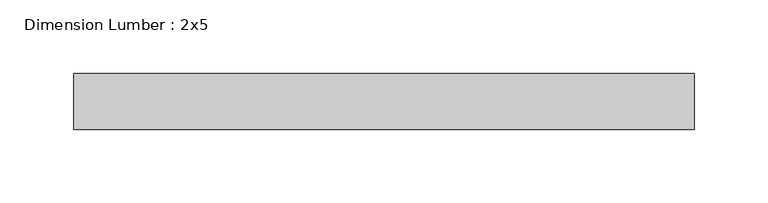
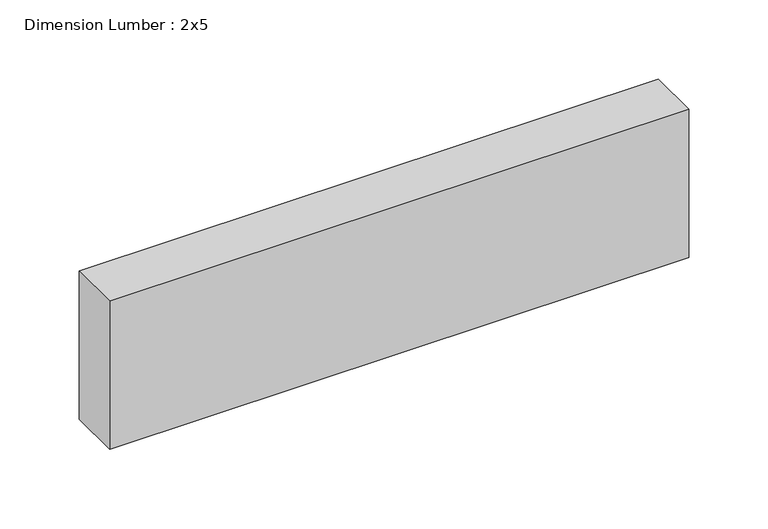
"""IFC4 building model written with IfcOpenShell, lengths in millimetres: beam geometry, Dimension Lumber : 2x5."""

from ifc_helpers import new_model, si_unit, frame, origin, place, context, project, spatial, polyline, outline, extrude, source, transform, mapped, element, save


def dimension_lumber_2x5_fb29cb15(model_context):
    return source(origin(), model_context, "Body", "SweptSolid", [
        extrude(outline(polyline([(212.9680614, 19.05), (212.9680614, -19.05), (-208.3204697, -19.05), (-208.3204697, 19.05), (212.9680614, 19.05)])), frame((0.0, 0.0, -57.15), z_axis=(0.0, 0.0, 1.0), x_axis=(1.0, 0.0, 0.0)), (0.0, 0.0, 1.0), 114.3),
    ])


if __name__ == "__main__":
    model = new_model("IFC4")
    model_context = context("Model", 3, world=origin())
    ifc_project = project(units=[si_unit("LENGTHUNIT", "METRE", prefix="MILLI")], contexts=[model_context])
    site = spatial("IfcSite", under=ifc_project)
    building = spatial("IfcBuilding", under=site)
    placement = place(None, origin())
    dimension_lumber_2x5_shape = dimension_lumber_2x5_fb29cb15(model_context)
    element("IfcBeam", 1, ObjectType="Dimension Lumber : 2x5", at=placement, inside=building, context=model_context, shape_type="MappedRepresentation", body=[
        mapped(dimension_lumber_2x5_shape, transform((0.0, 0.0, 0.0), x_axis=(1.0, 0.0, 0.0), y_axis=(0.0, 1.0, 0.0), z_axis=(0.0, 0.0, 1.0))),
    ])
    save(model, "model.ifc")
